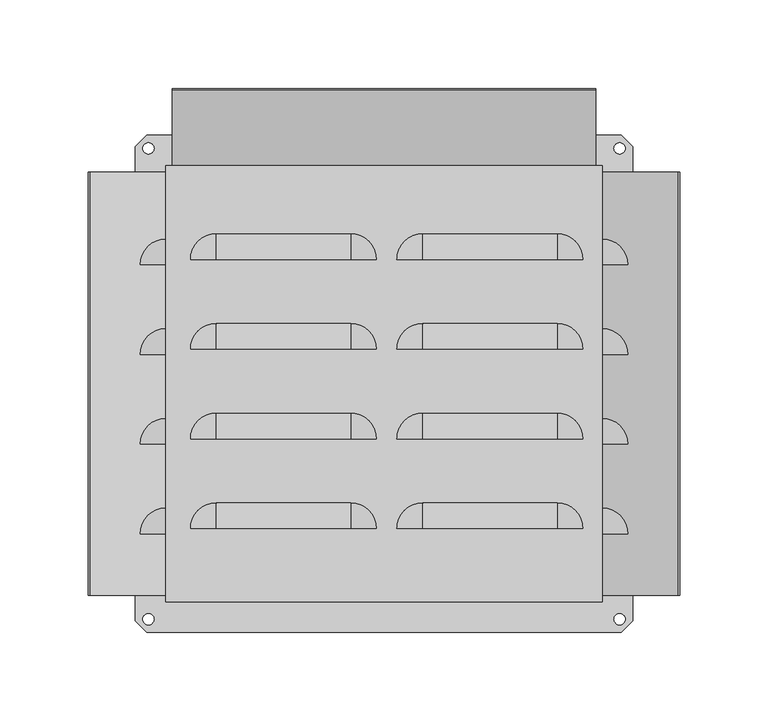
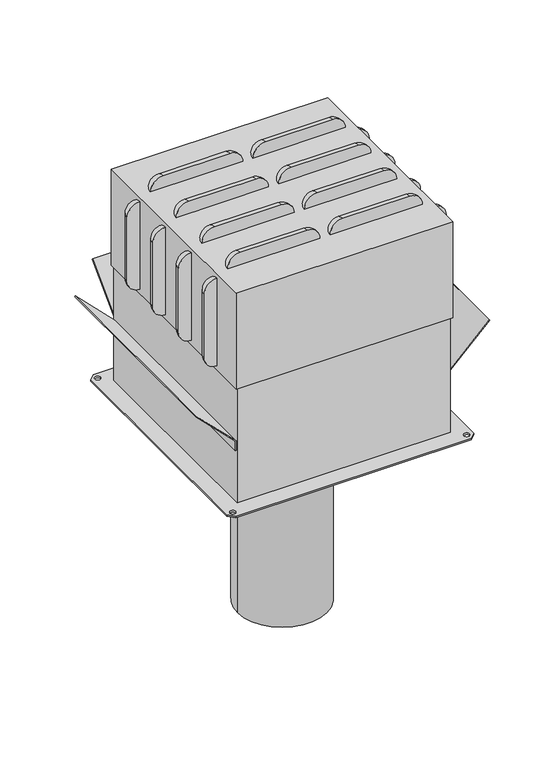
"""IFC4 building model written with IfcOpenShell, lengths in millimetres: proxy geometry."""

from ifc_helpers import new_model, si_unit, point, frame, frame_2d, origin, origin_with_axes, origin_2d, place, context, project, spatial, polyline, circle_curve, ellipse_curve, trimmed, segment, composite_curve, outline, extrude, source, transform, mapped, element, save
from ifc_brep_helpers import plane_surface, cylinder_surface, revolved_surface, advanced_brep


def generic_models_16d3a1f4(model_context):
    return source(origin(), model_context, "Body", "SolidModel", [
        extrude(outline(composite_curve([segment(trimmed(circle_curve(origin_2d(), 50.8), [point((-50.8, 0.0))], [point((50.8, 0.0))], False, "CARTESIAN"), True, "CONTINUOUS"), segment(trimmed(circle_curve(origin_2d(), 50.8), [point((50.8, 0.0))], [point((-50.8, 0.0))], False, "CARTESIAN"), True, "CONTINUOUS")], self_intersect=False)), frame((0.0, 0.0, -228.6), z_axis=(0.0, 0.0, 1.0), x_axis=(1.0, 0.0, 0.0)), (0.0, 0.0, 1.0), 228.6),
        advanced_brep(
        [(-123.21099, -70.2930469, 235.905824), (-123.21099, -84.8333554, 250.4461325), (-123.21099, -84.8333554, 145.2858675), (-123.21099, -70.2930469, 159.826176), (-137.7512984, -84.8333554, 235.905824), (-137.7512984, -84.8333554, 159.826176)],
        [
            (0, 1, circle_curve(frame((-123.21099, -84.8333554, 235.905824), z_axis=(1.0, 0.0, 0.0), x_axis=(0.0, 0.0, 1.0)), 14.5403084)),
            (1, 2),
            (2, 3, circle_curve(frame((-123.21099, -84.8333554, 159.826176), z_axis=(1.0, 0.0, 0.0), x_axis=(0.0, 0.0, 1.0)), 14.5403084)),
            (3, 0),
            (4, 5),
            (5, 2, circle_curve(frame((-123.21099, -84.8333554, 159.826176), z_axis=(0.0, -1.0, 0.0), x_axis=(0.0, 0.0, 1.0)), 14.5403084)),
            (1, 4, circle_curve(frame((-123.21099, -84.8333554, 235.905824), z_axis=(0.0, -1.0, 0.0), x_axis=(0.0, 0.0, 1.0)), 14.5403084)),
            (4, 0, circle_curve(frame((-123.21099, -84.8333554, 235.905824), z_axis=(0.0, 0.0, -1.0), x_axis=(0.0, 1.0, 0.0)), 14.5403084)),
            (3, 5, circle_curve(frame((-123.21099, -84.8333554, 159.826176), z_axis=(0.0, 0.0, 1.0), x_axis=(0.0, 1.0, 0.0)), 14.5403084)),
        ],
        [
            plane_surface(frame((-123.21099, -84.8333554, 146.3596743), z_axis=(1.0, 0.0, 0.0), x_axis=(0.0, 1.0, 0.0))),
            plane_surface(frame((-123.21099, -84.8333554, 146.3596743), z_axis=(0.0, -1.0, 0.0), x_axis=(-1.0, 0.0, 0.0))),
            cylinder_surface(frame((-123.21099, -84.8333554, 146.3596743), z_axis=(0.0, 0.0, -1.0), x_axis=(0.0, 1.0, 0.0)), 14.5403084),
            revolved_surface(trimmed(ellipse_curve(frame((-123.21099, -84.8333554, 159.826176), z_axis=(-1.0, 0.0, 0.0), x_axis=(0.0, 0.0, 1.0)), 14.5403084, 14.5403084), [point((-123.21099, -70.2930469, 159.826176))], [point((-123.21099, -84.8333554, 145.2858675))], True, "CARTESIAN"), (-123.21099, -84.8333554, 146.3596743), (0.0, 0.0, -1.0)),
            revolved_surface(trimmed(ellipse_curve(frame((-123.21099, -84.8333554, 235.905824), z_axis=(-1.0, 0.0, 0.0), x_axis=(0.0, 0.0, 1.0)), 14.5403084, 14.5403084), [point((-123.21099, -84.8333554, 250.4461325))], [point((-123.21099, -70.2930469, 235.905824))], True, "CARTESIAN"), (-123.21099, -84.8333554, 146.3596743), (0.0, 0.0, -1.0)),
        ],
        [
            (0, [[1, 2, 3, 4]]),
            (1, [[5, 6, -2, 7]]),
            (2, [[8, -4, 9, -5]]),
            (3, [[-9, -3, -6]]),
            (4, [[-1, -8, -7]]),
        ],
    ),
        advanced_brep(
        [(-123.21099, -19.5732816, 235.905824), (-123.21099, -34.11359, 250.4461325), (-123.21099, -34.11359, 145.2858675), (-123.21099, -19.5732816, 159.826176), (-137.7512984, -34.11359, 235.905824), (-137.7512984, -34.11359, 159.826176)],
        [
            (0, 1, circle_curve(frame((-123.21099, -34.11359, 235.905824), z_axis=(1.0, 0.0, 0.0), x_axis=(0.0, 0.0, 1.0)), 14.5403084)),
            (1, 2),
            (2, 3, circle_curve(frame((-123.21099, -34.11359, 159.826176), z_axis=(1.0, 0.0, 0.0), x_axis=(0.0, 0.0, 1.0)), 14.5403084)),
            (3, 0),
            (4, 5),
            (5, 2, circle_curve(frame((-123.21099, -34.11359, 159.826176), z_axis=(0.0, -1.0, 0.0), x_axis=(0.0, 0.0, 1.0)), 14.5403084)),
            (1, 4, circle_curve(frame((-123.21099, -34.11359, 235.905824), z_axis=(0.0, -1.0, 0.0), x_axis=(0.0, 0.0, 1.0)), 14.5403084)),
            (4, 0, circle_curve(frame((-123.21099, -34.11359, 235.905824), z_axis=(0.0, 0.0, -1.0), x_axis=(0.0, 1.0, 0.0)), 14.5403084)),
            (3, 5, circle_curve(frame((-123.21099, -34.11359, 159.826176), z_axis=(0.0, 0.0, 1.0), x_axis=(0.0, 1.0, 0.0)), 14.5403084)),
        ],
        [
            plane_surface(frame((-123.21099, -34.11359, 146.3596743), z_axis=(1.0, 0.0, 0.0), x_axis=(0.0, 1.0, 0.0))),
            plane_surface(frame((-123.21099, -34.11359, 146.3596743), z_axis=(0.0, -1.0, 0.0), x_axis=(-1.0, 0.0, 0.0))),
            cylinder_surface(frame((-123.21099, -34.11359, 146.3596743), z_axis=(0.0, 0.0, -1.0), x_axis=(0.0, 1.0, 0.0)), 14.5403084),
            revolved_surface(trimmed(ellipse_curve(frame((-123.21099, -34.11359, 159.826176), z_axis=(-1.0, 0.0, 0.0), x_axis=(0.0, 0.0, 1.0)), 14.5403084, 14.5403084), [point((-123.21099, -19.5732816, 159.826176))], [point((-123.21099, -34.11359, 145.2858675))], True, "CARTESIAN"), (-123.21099, -34.11359, 146.3596743), (0.0, 0.0, -1.0)),
            revolved_surface(trimmed(ellipse_curve(frame((-123.21099, -34.11359, 235.905824), z_axis=(-1.0, 0.0, 0.0), x_axis=(0.0, 0.0, 1.0)), 14.5403084, 14.5403084), [point((-123.21099, -34.11359, 250.4461325))], [point((-123.21099, -19.5732816, 235.905824))], True, "CARTESIAN"), (-123.21099, -34.11359, 146.3596743), (0.0, 0.0, -1.0)),
        ],
        [
            (0, [[1, 2, 3, 4]]),
            (1, [[5, 6, -2, 7]]),
            (2, [[8, -4, 9, -5]]),
            (3, [[-9, -3, -6]]),
            (4, [[-1, -8, -7]]),
        ],
    ),
        advanced_brep(
        [(-123.21099, 31.1464838, 235.905824), (-123.21099, 16.6061753, 250.4461325), (-123.21099, 16.6061753, 145.2858675), (-123.21099, 31.1464838, 159.826176), (-137.7512984, 16.6061753, 235.905824), (-137.7512984, 16.6061753, 159.826176)],
        [
            (0, 1, circle_curve(frame((-123.21099, 16.6061753, 235.905824), z_axis=(1.0, 0.0, 0.0), x_axis=(0.0, 0.0, 1.0)), 14.5403084)),
            (1, 2),
            (2, 3, circle_curve(frame((-123.21099, 16.6061753, 159.826176), z_axis=(1.0, 0.0, 0.0), x_axis=(0.0, 0.0, 1.0)), 14.5403084)),
            (3, 0),
            (4, 5),
            (5, 2, circle_curve(frame((-123.21099, 16.6061753, 159.826176), z_axis=(0.0, -1.0, 0.0), x_axis=(0.0, 0.0, 1.0)), 14.5403084)),
            (1, 4, circle_curve(frame((-123.21099, 16.6061753, 235.905824), z_axis=(0.0, -1.0, 0.0), x_axis=(0.0, 0.0, 1.0)), 14.5403084)),
            (4, 0, circle_curve(frame((-123.21099, 16.6061753, 235.905824), z_axis=(0.0, 0.0, -1.0), x_axis=(0.0, 1.0, 0.0)), 14.5403084)),
            (3, 5, circle_curve(frame((-123.21099, 16.6061753, 159.826176), z_axis=(0.0, 0.0, 1.0), x_axis=(0.0, 1.0, 0.0)), 14.5403084)),
        ],
        [
            plane_surface(frame((-123.21099, 16.6061753, 146.3596743), z_axis=(1.0, 0.0, 0.0), x_axis=(0.0, 1.0, 0.0))),
            plane_surface(frame((-123.21099, 16.6061753, 146.3596743), z_axis=(0.0, -1.0, 0.0), x_axis=(-1.0, 0.0, 0.0))),
            cylinder_surface(frame((-123.21099, 16.6061753, 146.3596743), z_axis=(0.0, 0.0, -1.0), x_axis=(0.0, 1.0, 0.0)), 14.5403084),
            revolved_surface(trimmed(ellipse_curve(frame((-123.21099, 16.6061753, 159.826176), z_axis=(-1.0, 0.0, 0.0), x_axis=(0.0, 0.0, 1.0)), 14.5403084, 14.5403084), [point((-123.21099, 31.1464838, 159.826176))], [point((-123.21099, 16.6061753, 145.2858675))], True, "CARTESIAN"), (-123.21099, 16.6061753, 146.3596743), (0.0, 0.0, -1.0)),
            revolved_surface(trimmed(ellipse_curve(frame((-123.21099, 16.6061753, 235.905824), z_axis=(-1.0, 0.0, 0.0), x_axis=(0.0, 0.0, 1.0)), 14.5403084, 14.5403084), [point((-123.21099, 16.6061753, 250.4461325))], [point((-123.21099, 31.1464838, 235.905824))], True, "CARTESIAN"), (-123.21099, 16.6061753, 146.3596743), (0.0, 0.0, -1.0)),
        ],
        [
            (0, [[1, 2, 3, 4]]),
            (1, [[5, 6, -2, 7]]),
            (2, [[8, -4, 9, -5]]),
            (3, [[-9, -3, -6]]),
            (4, [[-1, -8, -7]]),
        ],
    ),
        advanced_brep(
        [(-123.21099, 81.8662491, 235.905824), (-123.21099, 67.3259407, 250.4461325), (-123.21099, 67.3259407, 145.2858675), (-123.21099, 81.8662491, 159.826176), (-137.7512984, 67.3259407, 235.905824), (-137.7512984, 67.3259407, 159.826176)],
        [
            (0, 1, circle_curve(frame((-123.21099, 67.3259407, 235.905824), z_axis=(1.0, 0.0, 0.0), x_axis=(0.0, 0.0, 1.0)), 14.5403084)),
            (1, 2),
            (2, 3, circle_curve(frame((-123.21099, 67.3259407, 159.826176), z_axis=(1.0, 0.0, 0.0), x_axis=(0.0, 0.0, 1.0)), 14.5403084)),
            (3, 0),
            (4, 5),
            (5, 2, circle_curve(frame((-123.21099, 67.3259407, 159.826176), z_axis=(0.0, -1.0, 0.0), x_axis=(0.0, 0.0, 1.0)), 14.5403084)),
            (1, 4, circle_curve(frame((-123.21099, 67.3259407, 235.905824), z_axis=(0.0, -1.0, 0.0), x_axis=(0.0, 0.0, 1.0)), 14.5403084)),
            (4, 0, circle_curve(frame((-123.21099, 67.3259407, 235.905824), z_axis=(0.0, 0.0, -1.0), x_axis=(0.0, 1.0, 0.0)), 14.5403084)),
            (3, 5, circle_curve(frame((-123.21099, 67.3259407, 159.826176), z_axis=(0.0, 0.0, 1.0), x_axis=(0.0, 1.0, 0.0)), 14.5403084)),
        ],
        [
            plane_surface(frame((-123.21099, 67.3259407, 146.3596743), z_axis=(1.0, 0.0, 0.0), x_axis=(0.0, 1.0, 0.0))),
            plane_surface(frame((-123.21099, 67.3259407, 146.3596743), z_axis=(0.0, -1.0, 0.0), x_axis=(-1.0, 0.0, 0.0))),
            cylinder_surface(frame((-123.21099, 67.3259407, 146.3596743), z_axis=(0.0, 0.0, -1.0), x_axis=(0.0, 1.0, 0.0)), 14.5403084),
            revolved_surface(trimmed(ellipse_curve(frame((-123.21099, 67.3259407, 159.826176), z_axis=(-1.0, 0.0, 0.0), x_axis=(0.0, 0.0, 1.0)), 14.5403084, 14.5403084), [point((-123.21099, 81.8662491, 159.826176))], [point((-123.21099, 67.3259407, 145.2858675))], True, "CARTESIAN"), (-123.21099, 67.3259407, 146.3596743), (0.0, 0.0, -1.0)),
            revolved_surface(trimmed(ellipse_curve(frame((-123.21099, 67.3259407, 235.905824), z_axis=(-1.0, 0.0, 0.0), x_axis=(0.0, 0.0, 1.0)), 14.5403084, 14.5403084), [point((-123.21099, 67.3259407, 250.4461325))], [point((-123.21099, 81.8662491, 235.905824))], True, "CARTESIAN"), (-123.21099, 67.3259407, 146.3596743), (0.0, 0.0, -1.0)),
        ],
        [
            (0, [[1, 2, 3, 4]]),
            (1, [[5, 6, -2, 7]]),
            (2, [[8, -4, 9, -5]]),
            (3, [[-9, -3, -6]]),
            (4, [[-1, -8, -7]]),
        ],
    ),
        advanced_brep(
        [(123.21099, -70.2930469, 235.905824), (123.21099, -70.2930469, 159.826176), (123.21099, -84.8333554, 145.2858675), (123.21099, -84.8333554, 250.4461325), (137.7512984, -84.8333554, 235.905824), (137.7512984, -84.8333554, 159.826176)],
        [
            (0, 1),
            (1, 2, circle_curve(frame((123.21099, -84.8333554, 159.826176), z_axis=(-1.0, 0.0, 0.0), x_axis=(0.0, 0.0, 1.0)), 14.5403084)),
            (2, 3),
            (3, 0, circle_curve(frame((123.21099, -84.8333554, 235.905824), z_axis=(-1.0, 0.0, 0.0), x_axis=(0.0, 0.0, 1.0)), 14.5403084)),
            (4, 3, circle_curve(frame((123.21099, -84.8333554, 235.905824), z_axis=(0.0, -1.0, 0.0), x_axis=(0.0, 0.0, 1.0)), 14.5403084)),
            (2, 5, circle_curve(frame((123.21099, -84.8333554, 159.826176), z_axis=(0.0, -1.0, 0.0), x_axis=(0.0, 0.0, 1.0)), 14.5403084)),
            (5, 4),
            (5, 1, circle_curve(frame((123.21099, -84.8333554, 159.826176), z_axis=(0.0, 0.0, 1.0), x_axis=(0.0, 1.0, 0.0)), 14.5403084)),
            (0, 4, circle_curve(frame((123.21099, -84.8333554, 235.905824), z_axis=(0.0, 0.0, -1.0), x_axis=(0.0, 1.0, 0.0)), 14.5403084)),
        ],
        [
            plane_surface(frame((123.21099, -84.8333554, 146.3596743), z_axis=(-1.0, 0.0, 0.0), x_axis=(0.0, 1.0, 0.0))),
            plane_surface(frame((123.21099, -84.8333554, 146.3596743), z_axis=(0.0, -1.0, 0.0), x_axis=(1.0, 0.0, 0.0))),
            cylinder_surface(frame((123.21099, -84.8333554, 146.3596743), z_axis=(0.0, 0.0, 1.0), x_axis=(0.0, 1.0, 0.0)), 14.5403084),
            revolved_surface(trimmed(ellipse_curve(frame((123.21099, -84.8333554, 159.826176), z_axis=(1.0, 0.0, 0.0), x_axis=(0.0, 0.0, 1.0)), 14.5403084, 14.5403084), [point((123.21099, -84.8333554, 145.2858675))], [point((123.21099, -70.2930469, 159.826176))], True, "CARTESIAN"), (123.21099, -84.8333554, 146.3596743), (0.0, 0.0, 1.0)),
            revolved_surface(trimmed(ellipse_curve(frame((123.21099, -84.8333554, 235.905824), z_axis=(1.0, 0.0, 0.0), x_axis=(0.0, 0.0, 1.0)), 14.5403084, 14.5403084), [point((123.21099, -70.2930469, 235.905824))], [point((123.21099, -84.8333554, 250.4461325))], True, "CARTESIAN"), (123.21099, -84.8333554, 146.3596743), (0.0, 0.0, 1.0)),
        ],
        [
            (0, [[1, 2, 3, 4]]),
            (1, [[5, -3, 6, 7]]),
            (2, [[8, -1, 9, -7]]),
            (3, [[-2, -8, -6]]),
            (4, [[-9, -4, -5]]),
        ],
    ),
        advanced_brep(
        [(123.21099, -19.5732816, 235.905824), (123.21099, -19.5732816, 159.826176), (123.21099, -34.11359, 145.2858675), (123.21099, -34.11359, 250.4461325), (137.7512984, -34.11359, 235.905824), (137.7512984, -34.11359, 159.826176)],
        [
            (0, 1),
            (1, 2, circle_curve(frame((123.21099, -34.11359, 159.826176), z_axis=(-1.0, 0.0, 0.0), x_axis=(0.0, 0.0, 1.0)), 14.5403084)),
            (2, 3),
            (3, 0, circle_curve(frame((123.21099, -34.11359, 235.905824), z_axis=(-1.0, 0.0, 0.0), x_axis=(0.0, 0.0, 1.0)), 14.5403084)),
            (4, 3, circle_curve(frame((123.21099, -34.11359, 235.905824), z_axis=(0.0, -1.0, 0.0), x_axis=(0.0, 0.0, 1.0)), 14.5403084)),
            (2, 5, circle_curve(frame((123.21099, -34.11359, 159.826176), z_axis=(0.0, -1.0, 0.0), x_axis=(0.0, 0.0, 1.0)), 14.5403084)),
            (5, 4),
            (5, 1, circle_curve(frame((123.21099, -34.11359, 159.826176), z_axis=(0.0, 0.0, 1.0), x_axis=(0.0, 1.0, 0.0)), 14.5403084)),
            (0, 4, circle_curve(frame((123.21099, -34.11359, 235.905824), z_axis=(0.0, 0.0, -1.0), x_axis=(0.0, 1.0, 0.0)), 14.5403084)),
        ],
        [
            plane_surface(frame((123.21099, -34.11359, 146.3596743), z_axis=(-1.0, 0.0, 0.0), x_axis=(0.0, 1.0, 0.0))),
            plane_surface(frame((123.21099, -34.11359, 146.3596743), z_axis=(0.0, -1.0, 0.0), x_axis=(1.0, 0.0, 0.0))),
            cylinder_surface(frame((123.21099, -34.11359, 146.3596743), z_axis=(0.0, 0.0, 1.0), x_axis=(0.0, 1.0, 0.0)), 14.5403084),
            revolved_surface(trimmed(ellipse_curve(frame((123.21099, -34.11359, 159.826176), z_axis=(1.0, 0.0, 0.0), x_axis=(0.0, 0.0, 1.0)), 14.5403084, 14.5403084), [point((123.21099, -34.11359, 145.2858675))], [point((123.21099, -19.5732816, 159.826176))], True, "CARTESIAN"), (123.21099, -34.11359, 146.3596743), (0.0, 0.0, 1.0)),
            revolved_surface(trimmed(ellipse_curve(frame((123.21099, -34.11359, 235.905824), z_axis=(1.0, 0.0, 0.0), x_axis=(0.0, 0.0, 1.0)), 14.5403084, 14.5403084), [point((123.21099, -19.5732816, 235.905824))], [point((123.21099, -34.11359, 250.4461325))], True, "CARTESIAN"), (123.21099, -34.11359, 146.3596743), (0.0, 0.0, 1.0)),
        ],
        [
            (0, [[1, 2, 3, 4]]),
            (1, [[5, -3, 6, 7]]),
            (2, [[8, -1, 9, -7]]),
            (3, [[-2, -8, -6]]),
            (4, [[-9, -4, -5]]),
        ],
    ),
        advanced_brep(
        [(123.21099, 31.1464838, 235.905824), (123.21099, 31.1464838, 159.826176), (123.21099, 16.6061753, 145.2858675), (123.21099, 16.6061753, 250.4461325), (137.7512984, 16.6061753, 235.905824), (137.7512984, 16.6061753, 159.826176)],
        [
            (0, 1),
            (1, 2, circle_curve(frame((123.21099, 16.6061753, 159.826176), z_axis=(-1.0, 0.0, 0.0), x_axis=(0.0, 0.0, 1.0)), 14.5403084)),
            (2, 3),
            (3, 0, circle_curve(frame((123.21099, 16.6061753, 235.905824), z_axis=(-1.0, 0.0, 0.0), x_axis=(0.0, 0.0, 1.0)), 14.5403084)),
            (4, 3, circle_curve(frame((123.21099, 16.6061753, 235.905824), z_axis=(0.0, -1.0, 0.0), x_axis=(0.0, 0.0, 1.0)), 14.5403084)),
            (2, 5, circle_curve(frame((123.21099, 16.6061753, 159.826176), z_axis=(0.0, -1.0, 0.0), x_axis=(0.0, 0.0, 1.0)), 14.5403084)),
            (5, 4),
            (5, 1, circle_curve(frame((123.21099, 16.6061753, 159.826176), z_axis=(0.0, 0.0, 1.0), x_axis=(0.0, 1.0, 0.0)), 14.5403084)),
            (0, 4, circle_curve(frame((123.21099, 16.6061753, 235.905824), z_axis=(0.0, 0.0, -1.0), x_axis=(0.0, 1.0, 0.0)), 14.5403084)),
        ],
        [
            plane_surface(frame((123.21099, 16.6061753, 146.3596743), z_axis=(-1.0, 0.0, 0.0), x_axis=(0.0, 1.0, 0.0))),
            plane_surface(frame((123.21099, 16.6061753, 146.3596743), z_axis=(0.0, -1.0, 0.0), x_axis=(1.0, 0.0, 0.0))),
            cylinder_surface(frame((123.21099, 16.6061753, 146.3596743), z_axis=(0.0, 0.0, 1.0), x_axis=(0.0, 1.0, 0.0)), 14.5403084),
            revolved_surface(trimmed(ellipse_curve(frame((123.21099, 16.6061753, 159.826176), z_axis=(1.0, 0.0, 0.0), x_axis=(0.0, 0.0, 1.0)), 14.5403084, 14.5403084), [point((123.21099, 16.6061753, 145.2858675))], [point((123.21099, 31.1464838, 159.826176))], True, "CARTESIAN"), (123.21099, 16.6061753, 146.3596743), (0.0, 0.0, 1.0)),
            revolved_surface(trimmed(ellipse_curve(frame((123.21099, 16.6061753, 235.905824), z_axis=(1.0, 0.0, 0.0), x_axis=(0.0, 0.0, 1.0)), 14.5403084, 14.5403084), [point((123.21099, 31.1464838, 235.905824))], [point((123.21099, 16.6061753, 250.4461325))], True, "CARTESIAN"), (123.21099, 16.6061753, 146.3596743), (0.0, 0.0, 1.0)),
        ],
        [
            (0, [[1, 2, 3, 4]]),
            (1, [[5, -3, 6, 7]]),
            (2, [[8, -1, 9, -7]]),
            (3, [[-2, -8, -6]]),
            (4, [[-9, -4, -5]]),
        ],
    ),
        advanced_brep(
        [(123.21099, 81.8662491, 235.905824), (123.21099, 81.8662491, 159.826176), (123.21099, 67.3259407, 145.2858675), (123.21099, 67.3259407, 250.4461325), (137.7512984, 67.3259407, 235.905824), (137.7512984, 67.3259407, 159.826176)],
        [
            (0, 1),
            (1, 2, circle_curve(frame((123.21099, 67.3259407, 159.826176), z_axis=(-1.0, 0.0, 0.0), x_axis=(0.0, 0.0, 1.0)), 14.5403084)),
            (2, 3),
            (3, 0, circle_curve(frame((123.21099, 67.3259407, 235.905824), z_axis=(-1.0, 0.0, 0.0), x_axis=(0.0, 0.0, 1.0)), 14.5403084)),
            (4, 3, circle_curve(frame((123.21099, 67.3259407, 235.905824), z_axis=(0.0, -1.0, 0.0), x_axis=(0.0, 0.0, 1.0)), 14.5403084)),
            (2, 5, circle_curve(frame((123.21099, 67.3259407, 159.826176), z_axis=(0.0, -1.0, 0.0), x_axis=(0.0, 0.0, 1.0)), 14.5403084)),
            (5, 4),
            (5, 1, circle_curve(frame((123.21099, 67.3259407, 159.826176), z_axis=(0.0, 0.0, 1.0), x_axis=(0.0, 1.0, 0.0)), 14.5403084)),
            (0, 4, circle_curve(frame((123.21099, 67.3259407, 235.905824), z_axis=(0.0, 0.0, -1.0), x_axis=(0.0, 1.0, 0.0)), 14.5403084)),
        ],
        [
            plane_surface(frame((123.21099, 67.3259407, 146.3596743), z_axis=(-1.0, 0.0, 0.0), x_axis=(0.0, 1.0, 0.0))),
            plane_surface(frame((123.21099, 67.3259407, 146.3596743), z_axis=(0.0, -1.0, 0.0), x_axis=(1.0, 0.0, 0.0))),
            cylinder_surface(frame((123.21099, 67.3259407, 146.3596743), z_axis=(0.0, 0.0, 1.0), x_axis=(0.0, 1.0, 0.0)), 14.5403084),
            revolved_surface(trimmed(ellipse_curve(frame((123.21099, 67.3259407, 159.826176), z_axis=(1.0, 0.0, 0.0), x_axis=(0.0, 0.0, 1.0)), 14.5403084, 14.5403084), [point((123.21099, 67.3259407, 145.2858675))], [point((123.21099, 81.8662491, 159.826176))], True, "CARTESIAN"), (123.21099, 67.3259407, 146.3596743), (0.0, 0.0, 1.0)),
            revolved_surface(trimmed(ellipse_curve(frame((123.21099, 67.3259407, 235.905824), z_axis=(1.0, 0.0, 0.0), x_axis=(0.0, 0.0, 1.0)), 14.5403084, 14.5403084), [point((123.21099, 81.8662491, 235.905824))], [point((123.21099, 67.3259407, 250.4461325))], True, "CARTESIAN"), (123.21099, 67.3259407, 146.3596743), (0.0, 0.0, 1.0)),
        ],
        [
            (0, [[1, 2, 3, 4]]),
            (1, [[5, -3, 6, 7]]),
            (2, [[8, -1, 9, -7]]),
            (3, [[-2, -8, -6]]),
            (4, [[-9, -4, -5]]),
        ],
    ),
        advanced_brep(
        [(-18.804353, -67.3259407, 255.524), (-4.2640446, -81.8662491, 255.524), (-109.4243095, -81.8662491, 255.524), (-94.884001, -67.3259407, 255.524), (-18.804353, -81.8662491, 270.0643084), (-94.884001, -81.8662491, 270.0643084)],
        [
            (0, 1, circle_curve(frame((-18.804353, -81.8662491, 255.524), z_axis=(0.0, 0.0, -1.0), x_axis=(1.0, 0.0, 0.0)), 14.5403084)),
            (1, 2),
            (2, 3, circle_curve(frame((-94.884001, -81.8662491, 255.524), z_axis=(0.0, 0.0, -1.0), x_axis=(1.0, 0.0, 0.0)), 14.5403084)),
            (3, 0),
            (4, 5),
            (5, 2, circle_curve(frame((-94.884001, -81.8662491, 255.524), z_axis=(0.0, -1.0, 0.0), x_axis=(1.0, 0.0, 0.0)), 14.5403084)),
            (1, 4, circle_curve(frame((-18.804353, -81.8662491, 255.524), z_axis=(0.0, -1.0, 0.0), x_axis=(1.0, 0.0, 0.0)), 14.5403084)),
            (4, 0, circle_curve(frame((-18.804353, -81.8662491, 255.524), z_axis=(-1.0, 0.0, 0.0), x_axis=(0.0, 1.0, 0.0)), 14.5403084)),
            (3, 5, circle_curve(frame((-94.884001, -81.8662491, 255.524), z_axis=(1.0, 0.0, 0.0), x_axis=(0.0, 1.0, 0.0)), 14.5403084)),
        ],
        [
            plane_surface(frame((-108.3505027, -81.8662491, 255.524), z_axis=(0.0, 0.0, -1.0), x_axis=(0.0, 1.0, 0.0))),
            plane_surface(frame((-108.3505027, -81.8662491, 255.524), z_axis=(0.0, -1.0, 0.0), x_axis=(0.0, 0.0, 1.0))),
            cylinder_surface(frame((-108.3505027, -81.8662491, 255.524), z_axis=(-1.0, 0.0, 0.0), x_axis=(0.0, 1.0, 0.0)), 14.5403084),
            revolved_surface(trimmed(ellipse_curve(frame((-94.884001, -81.8662491, 255.524), z_axis=(0.0, 0.0, 1.0), x_axis=(1.0, 0.0, 0.0)), 14.5403084, 14.5403084), [point((-94.884001, -67.3259407, 255.524))], [point((-109.4243095, -81.8662491, 255.524))], True, "CARTESIAN"), (-108.3505027, -81.8662491, 255.524), (-1.0, 0.0, 0.0)),
            revolved_surface(trimmed(ellipse_curve(frame((-18.804353, -81.8662491, 255.524), z_axis=(0.0, 0.0, 1.0), x_axis=(1.0, 0.0, 0.0)), 14.5403084, 14.5403084), [point((-4.2640446, -81.8662491, 255.524))], [point((-18.804353, -67.3259407, 255.524))], True, "CARTESIAN"), (-108.3505027, -81.8662491, 255.524), (-1.0, 0.0, 0.0)),
        ],
        [
            (0, [[1, 2, 3, 4]]),
            (1, [[5, 6, -2, 7]]),
            (2, [[8, -4, 9, -5]]),
            (3, [[-9, -3, -6]]),
            (4, [[-1, -8, -7]]),
        ],
    ),
        advanced_brep(
        [(-18.804353, -16.6061753, 255.524), (-4.2640446, -31.1464838, 255.524), (-109.4243095, -31.1464838, 255.524), (-94.884001, -16.6061753, 255.524), (-18.804353, -31.1464838, 270.0643084), (-94.884001, -31.1464838, 270.0643084)],
        [
            (0, 1, circle_curve(frame((-18.804353, -31.1464838, 255.524), z_axis=(0.0, 0.0, -1.0), x_axis=(1.0, 0.0, 0.0)), 14.5403084)),
            (1, 2),
            (2, 3, circle_curve(frame((-94.884001, -31.1464838, 255.524), z_axis=(0.0, 0.0, -1.0), x_axis=(1.0, 0.0, 0.0)), 14.5403084)),
            (3, 0),
            (4, 5),
            (5, 2, circle_curve(frame((-94.884001, -31.1464838, 255.524), z_axis=(0.0, -1.0, 0.0), x_axis=(1.0, 0.0, 0.0)), 14.5403084)),
            (1, 4, circle_curve(frame((-18.804353, -31.1464838, 255.524), z_axis=(0.0, -1.0, 0.0), x_axis=(1.0, 0.0, 0.0)), 14.5403084)),
            (4, 0, circle_curve(frame((-18.804353, -31.1464838, 255.524), z_axis=(-1.0, 0.0, 0.0), x_axis=(0.0, 1.0, 0.0)), 14.5403084)),
            (3, 5, circle_curve(frame((-94.884001, -31.1464838, 255.524), z_axis=(1.0, 0.0, 0.0), x_axis=(0.0, 1.0, 0.0)), 14.5403084)),
        ],
        [
            plane_surface(frame((-108.3505027, -31.1464838, 255.524), z_axis=(0.0, 0.0, -1.0), x_axis=(0.0, 1.0, 0.0))),
            plane_surface(frame((-108.3505027, -31.1464838, 255.524), z_axis=(0.0, -1.0, 0.0), x_axis=(0.0, 0.0, 1.0))),
            cylinder_surface(frame((-108.3505027, -31.1464838, 255.524), z_axis=(-1.0, 0.0, 0.0), x_axis=(0.0, 1.0, 0.0)), 14.5403084),
            revolved_surface(trimmed(ellipse_curve(frame((-94.884001, -31.1464838, 255.524), z_axis=(0.0, 0.0, 1.0), x_axis=(1.0, 0.0, 0.0)), 14.5403084, 14.5403084), [point((-94.884001, -16.6061753, 255.524))], [point((-109.4243095, -31.1464838, 255.524))], True, "CARTESIAN"), (-108.3505027, -31.1464838, 255.524), (-1.0, 0.0, 0.0)),
            revolved_surface(trimmed(ellipse_curve(frame((-18.804353, -31.1464838, 255.524), z_axis=(0.0, 0.0, 1.0), x_axis=(1.0, 0.0, 0.0)), 14.5403084, 14.5403084), [point((-4.2640446, -31.1464838, 255.524))], [point((-18.804353, -16.6061753, 255.524))], True, "CARTESIAN"), (-108.3505027, -31.1464838, 255.524), (-1.0, 0.0, 0.0)),
        ],
        [
            (0, [[1, 2, 3, 4]]),
            (1, [[5, 6, -2, 7]]),
            (2, [[8, -4, 9, -5]]),
            (3, [[-9, -3, -6]]),
            (4, [[-1, -8, -7]]),
        ],
    ),
        advanced_brep(
        [(-18.804353, 34.11359, 255.524), (-4.2640446, 19.5732816, 255.524), (-109.4243095, 19.5732816, 255.524), (-94.884001, 34.11359, 255.524), (-18.804353, 19.5732816, 270.0643084), (-94.884001, 19.5732816, 270.0643084)],
        [
            (0, 1, circle_curve(frame((-18.804353, 19.5732816, 255.524), z_axis=(0.0, 0.0, -1.0), x_axis=(1.0, 0.0, 0.0)), 14.5403084)),
            (1, 2),
            (2, 3, circle_curve(frame((-94.884001, 19.5732816, 255.524), z_axis=(0.0, 0.0, -1.0), x_axis=(1.0, 0.0, 0.0)), 14.5403084)),
            (3, 0),
            (4, 5),
            (5, 2, circle_curve(frame((-94.884001, 19.5732816, 255.524), z_axis=(0.0, -1.0, 0.0), x_axis=(1.0, 0.0, 0.0)), 14.5403084)),
            (1, 4, circle_curve(frame((-18.804353, 19.5732816, 255.524), z_axis=(0.0, -1.0, 0.0), x_axis=(1.0, 0.0, 0.0)), 14.5403084)),
            (4, 0, circle_curve(frame((-18.804353, 19.5732816, 255.524), z_axis=(-1.0, 0.0, 0.0), x_axis=(0.0, 1.0, 0.0)), 14.5403084)),
            (3, 5, circle_curve(frame((-94.884001, 19.5732816, 255.524), z_axis=(1.0, 0.0, 0.0), x_axis=(0.0, 1.0, 0.0)), 14.5403084)),
        ],
        [
            plane_surface(frame((-108.3505027, 19.5732816, 255.524), z_axis=(0.0, 0.0, -1.0), x_axis=(0.0, 1.0, 0.0))),
            plane_surface(frame((-108.3505027, 19.5732816, 255.524), z_axis=(0.0, -1.0, 0.0), x_axis=(0.0, 0.0, 1.0))),
            cylinder_surface(frame((-108.3505027, 19.5732816, 255.524), z_axis=(-1.0, 0.0, 0.0), x_axis=(0.0, 1.0, 0.0)), 14.5403084),
            revolved_surface(trimmed(ellipse_curve(frame((-94.884001, 19.5732816, 255.524), z_axis=(0.0, 0.0, 1.0), x_axis=(1.0, 0.0, 0.0)), 14.5403084, 14.5403084), [point((-94.884001, 34.11359, 255.524))], [point((-109.4243095, 19.5732816, 255.524))], True, "CARTESIAN"), (-108.3505027, 19.5732816, 255.524), (-1.0, 0.0, 0.0)),
            revolved_surface(trimmed(ellipse_curve(frame((-18.804353, 19.5732816, 255.524), z_axis=(0.0, 0.0, 1.0), x_axis=(1.0, 0.0, 0.0)), 14.5403084, 14.5403084), [point((-4.2640446, 19.5732816, 255.524))], [point((-18.804353, 34.11359, 255.524))], True, "CARTESIAN"), (-108.3505027, 19.5732816, 255.524), (-1.0, 0.0, 0.0)),
        ],
        [
            (0, [[1, 2, 3, 4]]),
            (1, [[5, 6, -2, 7]]),
            (2, [[8, -4, 9, -5]]),
            (3, [[-9, -3, -6]]),
            (4, [[-1, -8, -7]]),
        ],
    ),
        advanced_brep(
        [(-18.804353, 84.8333554, 255.524), (-4.2640446, 70.2930469, 255.524), (-109.4243095, 70.2930469, 255.524), (-94.884001, 84.8333554, 255.524), (-18.804353, 70.2930469, 270.0643084), (-94.884001, 70.2930469, 270.0643084)],
        [
            (0, 1, circle_curve(frame((-18.804353, 70.2930469, 255.524), z_axis=(0.0, 0.0, -1.0), x_axis=(1.0, 0.0, 0.0)), 14.5403084)),
            (1, 2),
            (2, 3, circle_curve(frame((-94.884001, 70.2930469, 255.524), z_axis=(0.0, 0.0, -1.0), x_axis=(1.0, 0.0, 0.0)), 14.5403084)),
            (3, 0),
            (4, 5),
            (5, 2, circle_curve(frame((-94.884001, 70.2930469, 255.524), z_axis=(0.0, -1.0, 0.0), x_axis=(1.0, 0.0, 0.0)), 14.5403084)),
            (1, 4, circle_curve(frame((-18.804353, 70.2930469, 255.524), z_axis=(0.0, -1.0, 0.0), x_axis=(1.0, 0.0, 0.0)), 14.5403084)),
            (4, 0, circle_curve(frame((-18.804353, 70.2930469, 255.524), z_axis=(-1.0, 0.0, 0.0), x_axis=(0.0, 1.0, 0.0)), 14.5403084)),
            (3, 5, circle_curve(frame((-94.884001, 70.2930469, 255.524), z_axis=(1.0, 0.0, 0.0), x_axis=(0.0, 1.0, 0.0)), 14.5403084)),
        ],
        [
            plane_surface(frame((-108.3505027, 70.2930469, 255.524), z_axis=(0.0, 0.0, -1.0), x_axis=(0.0, 1.0, 0.0))),
            plane_surface(frame((-108.3505027, 70.2930469, 255.524), z_axis=(0.0, -1.0, 0.0), x_axis=(0.0, 0.0, 1.0))),
            cylinder_surface(frame((-108.3505027, 70.2930469, 255.524), z_axis=(-1.0, 0.0, 0.0), x_axis=(0.0, 1.0, 0.0)), 14.5403084),
            revolved_surface(trimmed(ellipse_curve(frame((-94.884001, 70.2930469, 255.524), z_axis=(0.0, 0.0, 1.0), x_axis=(1.0, 0.0, 0.0)), 14.5403084, 14.5403084), [point((-94.884001, 84.8333554, 255.524))], [point((-109.4243095, 70.2930469, 255.524))], True, "CARTESIAN"), (-108.3505027, 70.2930469, 255.524), (-1.0, 0.0, 0.0)),
            revolved_surface(trimmed(ellipse_curve(frame((-18.804353, 70.2930469, 255.524), z_axis=(0.0, 0.0, 1.0), x_axis=(1.0, 0.0, 0.0)), 14.5403084, 14.5403084), [point((-4.2640446, 70.2930469, 255.524))], [point((-18.804353, 84.8333554, 255.524))], True, "CARTESIAN"), (-108.3505027, 70.2930469, 255.524), (-1.0, 0.0, 0.0)),
        ],
        [
            (0, [[1, 2, 3, 4]]),
            (1, [[5, 6, -2, 7]]),
            (2, [[8, -4, 9, -5]]),
            (3, [[-9, -3, -6]]),
            (4, [[-1, -8, -7]]),
        ],
    ),
        advanced_brep(
        [(97.8511073, -67.3259407, 255.524), (112.3914157, -81.8662491, 255.524), (7.2311508, -81.8662491, 255.524), (21.7714593, -67.3259407, 255.524), (97.8511073, -81.8662491, 270.0643084), (21.7714593, -81.8662491, 270.0643084)],
        [
            (0, 1, circle_curve(frame((97.8511073, -81.8662491, 255.524), z_axis=(0.0, 0.0, -1.0), x_axis=(1.0, 0.0, 0.0)), 14.5403084)),
            (1, 2),
            (2, 3, circle_curve(frame((21.7714593, -81.8662491, 255.524), z_axis=(0.0, 0.0, -1.0), x_axis=(1.0, 0.0, 0.0)), 14.5403084)),
            (3, 0),
            (4, 5),
            (5, 2, circle_curve(frame((21.7714593, -81.8662491, 255.524), z_axis=(0.0, -1.0, 0.0), x_axis=(1.0, 0.0, 0.0)), 14.5403084)),
            (1, 4, circle_curve(frame((97.8511073, -81.8662491, 255.524), z_axis=(0.0, -1.0, 0.0), x_axis=(1.0, 0.0, 0.0)), 14.5403084)),
            (4, 0, circle_curve(frame((97.8511073, -81.8662491, 255.524), z_axis=(-1.0, 0.0, 0.0), x_axis=(0.0, 1.0, 0.0)), 14.5403084)),
            (3, 5, circle_curve(frame((21.7714593, -81.8662491, 255.524), z_axis=(1.0, 0.0, 0.0), x_axis=(0.0, 1.0, 0.0)), 14.5403084)),
        ],
        [
            plane_surface(frame((8.3049576, -81.8662491, 255.524), z_axis=(0.0, 0.0, -1.0), x_axis=(0.0, 1.0, 0.0))),
            plane_surface(frame((8.3049576, -81.8662491, 255.524), z_axis=(0.0, -1.0, 0.0), x_axis=(0.0, 0.0, 1.0))),
            cylinder_surface(frame((8.3049576, -81.8662491, 255.524), z_axis=(-1.0, 0.0, 0.0), x_axis=(0.0, 1.0, 0.0)), 14.5403084),
            revolved_surface(trimmed(ellipse_curve(frame((21.7714593, -81.8662491, 255.524), z_axis=(0.0, 0.0, 1.0), x_axis=(1.0, 0.0, 0.0)), 14.5403084, 14.5403084), [point((21.7714593, -67.3259407, 255.524))], [point((7.2311508, -81.8662491, 255.524))], True, "CARTESIAN"), (8.3049576, -81.8662491, 255.524), (-1.0, 0.0, 0.0)),
            revolved_surface(trimmed(ellipse_curve(frame((97.8511073, -81.8662491, 255.524), z_axis=(0.0, 0.0, 1.0), x_axis=(1.0, 0.0, 0.0)), 14.5403084, 14.5403084), [point((112.3914157, -81.8662491, 255.524))], [point((97.8511073, -67.3259407, 255.524))], True, "CARTESIAN"), (8.3049576, -81.8662491, 255.524), (-1.0, 0.0, 0.0)),
        ],
        [
            (0, [[1, 2, 3, 4]]),
            (1, [[5, 6, -2, 7]]),
            (2, [[8, -4, 9, -5]]),
            (3, [[-9, -3, -6]]),
            (4, [[-1, -8, -7]]),
        ],
    ),
        advanced_brep(
        [(97.8511073, -16.6061753, 255.524), (112.3914157, -31.1464838, 255.524), (7.2311508, -31.1464838, 255.524), (21.7714593, -16.6061753, 255.524), (97.8511073, -31.1464838, 270.0643084), (21.7714593, -31.1464838, 270.0643084)],
        [
            (0, 1, circle_curve(frame((97.8511073, -31.1464838, 255.524), z_axis=(0.0, 0.0, -1.0), x_axis=(1.0, 0.0, 0.0)), 14.5403084)),
            (1, 2),
            (2, 3, circle_curve(frame((21.7714593, -31.1464838, 255.524), z_axis=(0.0, 0.0, -1.0), x_axis=(1.0, 0.0, 0.0)), 14.5403084)),
            (3, 0),
            (4, 5),
            (5, 2, circle_curve(frame((21.7714593, -31.1464838, 255.524), z_axis=(0.0, -1.0, 0.0), x_axis=(1.0, 0.0, 0.0)), 14.5403084)),
            (1, 4, circle_curve(frame((97.8511073, -31.1464838, 255.524), z_axis=(0.0, -1.0, 0.0), x_axis=(1.0, 0.0, 0.0)), 14.5403084)),
            (4, 0, circle_curve(frame((97.8511073, -31.1464838, 255.524), z_axis=(-1.0, 0.0, 0.0), x_axis=(0.0, 1.0, 0.0)), 14.5403084)),
            (3, 5, circle_curve(frame((21.7714593, -31.1464838, 255.524), z_axis=(1.0, 0.0, 0.0), x_axis=(0.0, 1.0, 0.0)), 14.5403084)),
        ],
        [
            plane_surface(frame((8.3049576, -31.1464838, 255.524), z_axis=(0.0, 0.0, -1.0), x_axis=(0.0, 1.0, 0.0))),
            plane_surface(frame((8.3049576, -31.1464838, 255.524), z_axis=(0.0, -1.0, 0.0), x_axis=(0.0, 0.0, 1.0))),
            cylinder_surface(frame((8.3049576, -31.1464838, 255.524), z_axis=(-1.0, 0.0, 0.0), x_axis=(0.0, 1.0, 0.0)), 14.5403084),
            revolved_surface(trimmed(ellipse_curve(frame((21.7714593, -31.1464838, 255.524), z_axis=(0.0, 0.0, 1.0), x_axis=(1.0, 0.0, 0.0)), 14.5403084, 14.5403084), [point((21.7714593, -16.6061753, 255.524))], [point((7.2311508, -31.1464838, 255.524))], True, "CARTESIAN"), (8.3049576, -31.1464838, 255.524), (-1.0, 0.0, 0.0)),
            revolved_surface(trimmed(ellipse_curve(frame((97.8511073, -31.1464838, 255.524), z_axis=(0.0, 0.0, 1.0), x_axis=(1.0, 0.0, 0.0)), 14.5403084, 14.5403084), [point((112.3914157, -31.1464838, 255.524))], [point((97.8511073, -16.6061753, 255.524))], True, "CARTESIAN"), (8.3049576, -31.1464838, 255.524), (-1.0, 0.0, 0.0)),
        ],
        [
            (0, [[1, 2, 3, 4]]),
            (1, [[5, 6, -2, 7]]),
            (2, [[8, -4, 9, -5]]),
            (3, [[-9, -3, -6]]),
            (4, [[-1, -8, -7]]),
        ],
    ),
        advanced_brep(
        [(97.8511073, 34.11359, 255.524), (112.3914157, 19.5732816, 255.524), (7.2311508, 19.5732816, 255.524), (21.7714593, 34.11359, 255.524), (97.8511073, 19.5732816, 270.0643084), (21.7714593, 19.5732816, 270.0643084)],
        [
            (0, 1, circle_curve(frame((97.8511073, 19.5732816, 255.524), z_axis=(0.0, 0.0, -1.0), x_axis=(1.0, 0.0, 0.0)), 14.5403084)),
            (1, 2),
            (2, 3, circle_curve(frame((21.7714593, 19.5732816, 255.524), z_axis=(0.0, 0.0, -1.0), x_axis=(1.0, 0.0, 0.0)), 14.5403084)),
            (3, 0),
            (4, 5),
            (5, 2, circle_curve(frame((21.7714593, 19.5732816, 255.524), z_axis=(0.0, -1.0, 0.0), x_axis=(1.0, 0.0, 0.0)), 14.5403084)),
            (1, 4, circle_curve(frame((97.8511073, 19.5732816, 255.524), z_axis=(0.0, -1.0, 0.0), x_axis=(1.0, 0.0, 0.0)), 14.5403084)),
            (4, 0, circle_curve(frame((97.8511073, 19.5732816, 255.524), z_axis=(-1.0, 0.0, 0.0), x_axis=(0.0, 1.0, 0.0)), 14.5403084)),
            (3, 5, circle_curve(frame((21.7714593, 19.5732816, 255.524), z_axis=(1.0, 0.0, 0.0), x_axis=(0.0, 1.0, 0.0)), 14.5403084)),
        ],
        [
            plane_surface(frame((8.3049576, 19.5732816, 255.524), z_axis=(0.0, 0.0, -1.0), x_axis=(0.0, 1.0, 0.0))),
            plane_surface(frame((8.3049576, 19.5732816, 255.524), z_axis=(0.0, -1.0, 0.0), x_axis=(0.0, 0.0, 1.0))),
            cylinder_surface(frame((8.3049576, 19.5732816, 255.524), z_axis=(-1.0, 0.0, 0.0), x_axis=(0.0, 1.0, 0.0)), 14.5403084),
            revolved_surface(trimmed(ellipse_curve(frame((21.7714593, 19.5732816, 255.524), z_axis=(0.0, 0.0, 1.0), x_axis=(1.0, 0.0, 0.0)), 14.5403084, 14.5403084), [point((21.7714593, 34.11359, 255.524))], [point((7.2311508, 19.5732816, 255.524))], True, "CARTESIAN"), (8.3049576, 19.5732816, 255.524), (-1.0, 0.0, 0.0)),
            revolved_surface(trimmed(ellipse_curve(frame((97.8511073, 19.5732816, 255.524), z_axis=(0.0, 0.0, 1.0), x_axis=(1.0, 0.0, 0.0)), 14.5403084, 14.5403084), [point((112.3914157, 19.5732816, 255.524))], [point((97.8511073, 34.11359, 255.524))], True, "CARTESIAN"), (8.3049576, 19.5732816, 255.524), (-1.0, 0.0, 0.0)),
        ],
        [
            (0, [[1, 2, 3, 4]]),
            (1, [[5, 6, -2, 7]]),
            (2, [[8, -4, 9, -5]]),
            (3, [[-9, -3, -6]]),
            (4, [[-1, -8, -7]]),
        ],
    ),
        advanced_brep(
        [(97.8511073, 84.8333554, 255.524), (112.3914157, 70.2930469, 255.524), (7.2311508, 70.2930469, 255.524), (21.7714593, 84.8333554, 255.524), (97.8511073, 70.2930469, 270.0643084), (21.7714593, 70.2930469, 270.0643084)],
        [
            (0, 1, circle_curve(frame((97.8511073, 70.2930469, 255.524), z_axis=(0.0, 0.0, -1.0), x_axis=(1.0, 0.0, 0.0)), 14.5403084)),
            (1, 2),
            (2, 3, circle_curve(frame((21.7714593, 70.2930469, 255.524), z_axis=(0.0, 0.0, -1.0), x_axis=(1.0, 0.0, 0.0)), 14.5403084)),
            (3, 0),
            (4, 5),
            (5, 2, circle_curve(frame((21.7714593, 70.2930469, 255.524), z_axis=(0.0, -1.0, 0.0), x_axis=(1.0, 0.0, 0.0)), 14.5403084)),
            (1, 4, circle_curve(frame((97.8511073, 70.2930469, 255.524), z_axis=(0.0, -1.0, 0.0), x_axis=(1.0, 0.0, 0.0)), 14.5403084)),
            (4, 0, circle_curve(frame((97.8511073, 70.2930469, 255.524), z_axis=(-1.0, 0.0, 0.0), x_axis=(0.0, 1.0, 0.0)), 14.5403084)),
            (3, 5, circle_curve(frame((21.7714593, 70.2930469, 255.524), z_axis=(1.0, 0.0, 0.0), x_axis=(0.0, 1.0, 0.0)), 14.5403084)),
        ],
        [
            plane_surface(frame((8.3049576, 70.2930469, 255.524), z_axis=(0.0, 0.0, -1.0), x_axis=(0.0, 1.0, 0.0))),
            plane_surface(frame((8.3049576, 70.2930469, 255.524), z_axis=(0.0, -1.0, 0.0), x_axis=(0.0, 0.0, 1.0))),
            cylinder_surface(frame((8.3049576, 70.2930469, 255.524), z_axis=(-1.0, 0.0, 0.0), x_axis=(0.0, 1.0, 0.0)), 14.5403084),
            revolved_surface(trimmed(ellipse_curve(frame((21.7714593, 70.2930469, 255.524), z_axis=(0.0, 0.0, 1.0), x_axis=(1.0, 0.0, 0.0)), 14.5403084, 14.5403084), [point((21.7714593, 84.8333554, 255.524))], [point((7.2311508, 70.2930469, 255.524))], True, "CARTESIAN"), (8.3049576, 70.2930469, 255.524), (-1.0, 0.0, 0.0)),
            revolved_surface(trimmed(ellipse_curve(frame((97.8511073, 70.2930469, 255.524), z_axis=(0.0, 0.0, 1.0), x_axis=(1.0, 0.0, 0.0)), 14.5403084, 14.5403084), [point((112.3914157, 70.2930469, 255.524))], [point((97.8511073, 84.8333554, 255.524))], True, "CARTESIAN"), (8.3049576, 70.2930469, 255.524), (-1.0, 0.0, 0.0)),
        ],
        [
            (0, [[1, 2, 3, 4]]),
            (1, [[5, 6, -2, 7]]),
            (2, [[8, -4, 9, -5]]),
            (3, [[-9, -3, -6]]),
            (4, [[-1, -8, -7]]),
        ],
    ),
        extrude(outline(polyline([(121.3470386, 75.4557982), (166.3492702, 120.4580298), (166.9948274, 119.8124725), (122.2599944, 75.0776395), (122.2599944, 64.008), (121.3470386, 64.008), (121.3470386, 75.4557982)])), frame((-119.7280637, 0.0, 0.0), z_axis=(1.0, 0.0, 0.0), x_axis=(0.0, 1.0, 0.0)), (0.0, 0.0, 1.0), 239.4561273),
        extrude(outline(polyline([(75.4557982, -121.3470386), (120.4580298, -166.3492702), (119.8124725, -166.9948274), (75.0776395, -122.2599944), (64.008, -122.2599944), (64.008, -121.3470386), (75.4557982, -121.3470386)])), frame((0.0, -119.7280637, 0.0), z_axis=(0.0, 1.0, 0.0), x_axis=(0.0, 0.0, 1.0)), (0.0, 0.0, 1.0), 239.4561273),
        extrude(outline(polyline([(75.4557982, 121.3470386), (64.008, 121.3470386), (64.008, 122.2599944), (75.0776395, 122.2599944), (119.8124725, 166.9948274), (120.4580298, 166.3492702), (75.4557982, 121.3470386)])), frame((0.0, -119.7280637, 0.0), z_axis=(0.0, 1.0, 0.0), x_axis=(0.0, 0.0, 1.0)), (0.0, 0.0, 1.0), 239.4561273),
        extrude(outline(polyline([(121.3470386, 121.3470386), (121.3470386, -121.3470386), (-121.3470386, -121.3470386), (-121.3470386, 121.3470386), (121.3470386, 121.3470386)])), frame((0.0, 0.0, 1.778), z_axis=(0.0, 0.0, 1.0), x_axis=(1.0, 0.0, 0.0)), (0.0, 0.0, 1.0), 138.43),
        extrude(outline(polyline([(123.21099, 123.21099), (123.21099, -123.21099), (-123.21099, -123.21099), (-123.21099, 123.21099), (123.21099, 123.21099)])), frame((0.0, 0.0, 140.208), z_axis=(0.0, 0.0, 1.0), x_axis=(1.0, 0.0, 0.0)), (0.0, 0.0, 1.0), 115.316),
        extrude(outline(polyline([(-134.1537793, 140.49375), (134.1537793, 140.49375), (140.49375, 134.1537793), (140.49375, -134.1537793), (134.1537793, -140.49375), (-134.1537793, -140.49375), (-140.49375, -134.1537793), (-140.49375, 134.1537793), (-134.1537793, 140.49375)]), holes=[composite_curve([segment(trimmed(circle_curve(frame_2d((133.139384, 133.139384)), 3.1699853), [point((129.9693987, 133.139384))], [point((136.3093694, 133.139384))], True, "CARTESIAN"), True, "CONTINUOUS"), segment(trimmed(circle_curve(frame_2d((133.139384, 133.139384)), 3.1699853), [point((136.3093694, 133.139384))], [point((129.9693987, 133.139384))], True, "CARTESIAN"), True, "CONTINUOUS")], self_intersect=False), composite_curve([segment(trimmed(circle_curve(frame_2d((-133.139384, 133.139384)), 3.1699853), [point((-136.3093694, 133.139384))], [point((-129.9693987, 133.139384))], True, "CARTESIAN"), True, "CONTINUOUS"), segment(trimmed(circle_curve(frame_2d((-133.139384, 133.139384)), 3.1699853), [point((-129.9693987, 133.139384))], [point((-136.3093694, 133.139384))], True, "CARTESIAN"), True, "CONTINUOUS")], self_intersect=False), composite_curve([segment(trimmed(circle_curve(frame_2d((-133.139384, -133.139384)), 3.1699853), [point((-136.3093694, -133.139384))], [point((-129.9693987, -133.139384))], True, "CARTESIAN"), True, "CONTINUOUS"), segment(trimmed(circle_curve(frame_2d((-133.139384, -133.139384)), 3.1699853), [point((-129.9693987, -133.139384))], [point((-136.3093694, -133.139384))], True, "CARTESIAN"), True, "CONTINUOUS")], self_intersect=False), composite_curve([segment(trimmed(circle_curve(frame_2d((133.139384, -133.139384)), 3.1699853), [point((129.9693987, -133.139384))], [point((136.3093694, -133.139384))], True, "CARTESIAN"), True, "CONTINUOUS"), segment(trimmed(circle_curve(frame_2d((133.139384, -133.139384)), 3.1699853), [point((136.3093694, -133.139384))], [point((129.9693987, -133.139384))], True, "CARTESIAN"), True, "CONTINUOUS")], self_intersect=False)]), origin_with_axes(), (0.0, 0.0, 1.0), 1.778),
    ])


if __name__ == "__main__":
    model = new_model("IFC4")
    model_context = context("Model", 3, world=origin())
    ifc_project = project(units=[si_unit("LENGTHUNIT", "METRE", prefix="MILLI")], contexts=[model_context])
    site = spatial("IfcSite", under=ifc_project)
    building = spatial("IfcBuilding", under=site)
    placement = place(None, origin())
    generic_models_shape = generic_models_16d3a1f4(model_context)
    element("IfcBuildingElementProxy", 1, Name="Generic Models", at=placement, inside=building, context=model_context, shape_type="MappedRepresentation", body=[
        mapped(generic_models_shape, transform((0.0, 0.0, 0.0), x_axis=(1.0, 0.0, 0.0), y_axis=(0.0, 1.0, 0.0), z_axis=(0.0, 0.0, 1.0))),
    ])
    save(model, "model.ifc")
